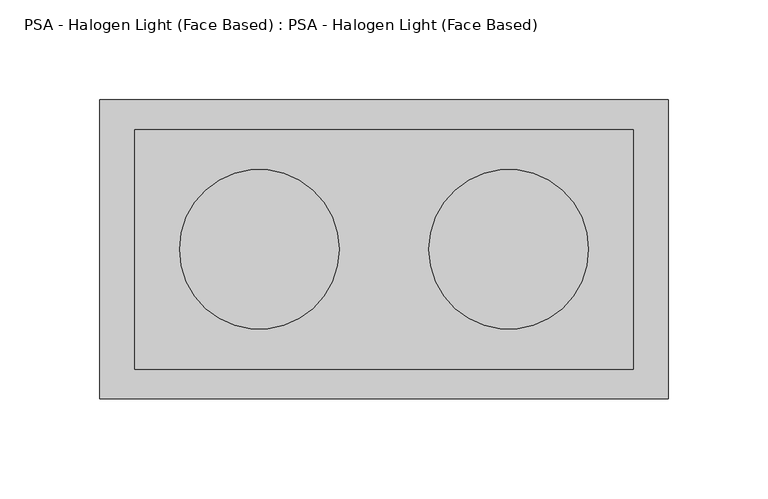
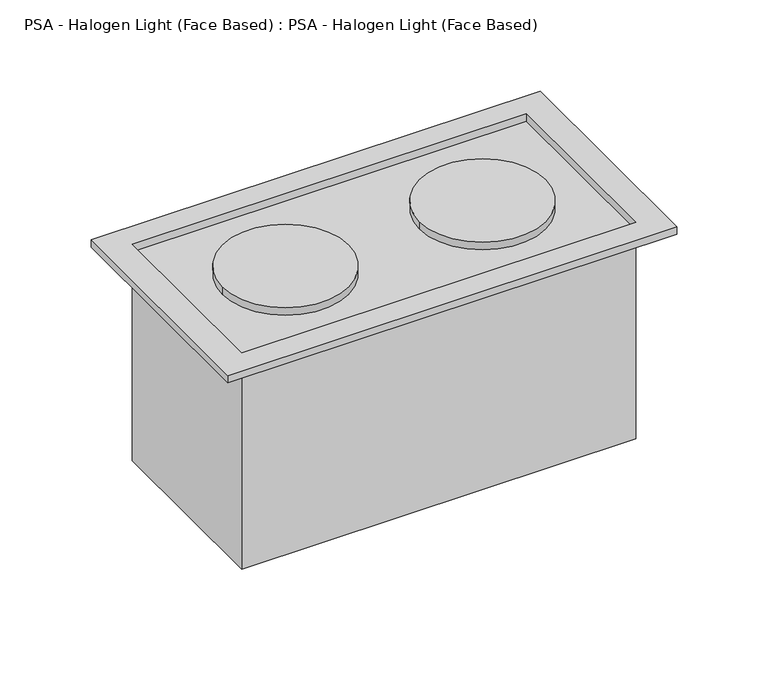
"""IFC4 building model written with IfcOpenShell, lengths in millimetres: light fixture geometry, PSA - Halogen Light (Face Based) : PSA - Halogen Light (Face Based)."""

import ifcopenshell
import ifcopenshell.guid

model = None  # the IFC model being written
_history = None  # IfcOwnerHistory: only IFC2X3 demands one
_inside = {}  # id of a spatial element -> (the spatial element, [elements in it])
_under = {}  # id of a project, library or spatial element -> (it, [spatial elements below it])
_declared = {}  # id of a project -> (the project, [libraries it declares])
_typed = {}  # id of a type object -> (the type object, [elements of that type])
_made_of = {}  # id of a material, layer set ... -> (it, [elements and type objects made of it])


def new_model(schema):
    """Start an empty IFC model of exactly this schema.

    Asked for "IFC4X3", IfcOpenShell would pick the latest addendum, in which some entities
    have other attributes; the version numbers below select the first issue.
    IFC2X3 requires an IfcOwnerHistory on every rooted entity: one is made here for all.
    """
    global model, _history
    if schema == "IFC4X3":
        model = ifcopenshell.file(schema_version=(4, 3, 0, 0))
    else:
        model = ifcopenshell.file(schema=schema)
    _inside.clear()
    _under.clear()
    _declared.clear()
    _typed.clear()
    _made_of.clear()
    _history = None
    if model.schema == "IFC2X3":
        org = make("IfcOrganization", Name="unknown")
        user = make(
            "IfcPersonAndOrganization",
            ThePerson=make("IfcPerson", FamilyName="unknown"),
            TheOrganization=org,
        )
        app = make(
            "IfcApplication",
            ApplicationDeveloper=org,
            Version="unknown",
            ApplicationFullName="unknown",
            ApplicationIdentifier="unknown",
        )
        _history = make(
            "IfcOwnerHistory",
            OwningUser=user,
            OwningApplication=app,
            ChangeAction="ADDED",
            CreationDate=0,
        )
    return model


def make(cls, **values):
    """One entity of the class cls with the attributes given. An attribute that is None is left unset."""
    return model.create_entity(
        cls, **{name: value for name, value in values.items() if value is not None}
    )


def rooted(cls, **values):
    """An entity with a GlobalId (a new one), such as an element, a storey or a relation."""
    return make(cls, GlobalId=ifcopenshell.guid.new(), OwnerHistory=_history, **values)


def si_unit(unit_type, name, prefix=None):
    """IfcSIUnit, for example si_unit("LENGTHUNIT", "METRE", prefix="MILLI")."""
    return make("IfcSIUnit", UnitType=unit_type, Prefix=prefix, Name=name)


def assignment(units):
    """IfcUnitAssignment: the units of a project."""
    return None if units is None else make("IfcUnitAssignment", Units=units)


def point(xyz):
    """IfcCartesianPoint."""
    return None if xyz is None else make("IfcCartesianPoint", Coordinates=xyz)


def direction(xyz):
    """IfcDirection."""
    return None if xyz is None else make("IfcDirection", DirectionRatios=xyz)


def frame(location, z_axis=None, x_axis=None):
    """IfcAxis2Placement3D, a coordinate frame: its origin and axes. An axis left out is left unset."""
    return make(
        "IfcAxis2Placement3D",
        Location=point(location),
        Axis=direction(z_axis),
        RefDirection=direction(x_axis),
    )


def frame_2d(location, x_axis=None):
    """IfcAxis2Placement2D, a coordinate frame in the plane: its origin and x axis."""
    return make(
        "IfcAxis2Placement2D", Location=point(location), RefDirection=direction(x_axis)
    )


def origin():
    """The frame at (0, 0, 0) with its axes left unset."""
    return frame((0.0, 0.0, 0.0))


def origin_with_axes():
    """The frame at (0, 0, 0) with the z axis (0, 0, 1) and the x axis (1, 0, 0) written out."""
    return frame((0.0, 0.0, 0.0), z_axis=(0.0, 0.0, 1.0), x_axis=(1.0, 0.0, 0.0))


def place(relative_to, where):
    """IfcLocalPlacement: puts the frame where relative to a parent placement (None: the world)."""
    return make(
        "IfcLocalPlacement", PlacementRelTo=relative_to, RelativePlacement=where
    )


def context(
    kind, dimensions, precision=None, world=None, true_north=None, identifier=None
):
    """IfcGeometricRepresentationContext, for example the 3D "Model" context."""
    return make(
        "IfcGeometricRepresentationContext",
        ContextIdentifier=identifier,
        ContextType=kind,
        CoordinateSpaceDimension=dimensions,
        Precision=precision,
        WorldCoordinateSystem=world,
        TrueNorth=true_north,
    )


def project(units=None, contexts=None):
    """IfcProject with its units and contexts."""
    return rooted(
        "IfcProject",
        Name="project",
        RepresentationContexts=contexts,
        UnitsInContext=assignment(units),
    )


def spatial(cls, under=None, at=None, **own):
    """A site, building, storey or space (cls), placed at a placement, below another one or the project."""
    s = rooted(cls, ObjectPlacement=at, **own)
    if under is not None:
        _under.setdefault(under.id(), (under, []))[1].append(s)
    return s


def polyline(points):
    """IfcPolyline through the points."""
    return make("IfcPolyline", Points=[point(p) for p in points])


def circle_curve(where, radius):
    """IfcCircle in the frame where."""
    return make("IfcCircle", Position=where, Radius=radius)


def trimmed(basis, trim1, trim2, sense, master):
    """IfcTrimmedCurve: the piece of a basis curve between two trims."""
    return make(
        "IfcTrimmedCurve",
        BasisCurve=basis,
        Trim1=trim1,
        Trim2=trim2,
        SenseAgreement=sense,
        MasterRepresentation=master,
    )


def segment(curve, same_sense, transition):
    """IfcCompositeCurveSegment."""
    return make(
        "IfcCompositeCurveSegment",
        Transition=transition,
        SameSense=same_sense,
        ParentCurve=curve,
    )


def composite_curve(segments, self_intersect=None):
    """IfcCompositeCurve: segments joined end to end."""
    return make("IfcCompositeCurve", Segments=segments, SelfIntersect=self_intersect)


def outline(outer, holes=None, kind="AREA"):
    """IfcArbitraryClosedProfileDef: a profile drawn as a closed curve; with holes, ...WithVoids."""
    if holes is None:
        return make("IfcArbitraryClosedProfileDef", ProfileType=kind, OuterCurve=outer)
    return make(
        "IfcArbitraryProfileDefWithVoids",
        ProfileType=kind,
        OuterCurve=outer,
        InnerCurves=holes,
    )


def extrude(swept, where, along, depth):
    """IfcExtrudedAreaSolid: the profile swept, set in the frame where, extruded along a direction by depth."""
    return make(
        "IfcExtrudedAreaSolid",
        SweptArea=swept,
        Position=where,
        ExtrudedDirection=direction(along),
        Depth=depth,
    )


def shape(context_of_items, identifier, shape_type, items):
    """IfcShapeRepresentation: the items that make up one representation, for example the "Body"."""
    return make(
        "IfcShapeRepresentation",
        ContextOfItems=context_of_items,
        RepresentationIdentifier=identifier,
        RepresentationType=shape_type,
        Items=items,
    )


def source(mapping_origin, context_of_items, identifier, shape_type, items):
    """IfcRepresentationMap: a shape defined once, which mapped items show again and again."""
    return make(
        "IfcRepresentationMap",
        MappingOrigin=mapping_origin,
        MappedRepresentation=shape(context_of_items, identifier, shape_type, items),
    )


def transform(
    local_origin,
    x_axis=None,
    y_axis=None,
    z_axis=None,
    scale=None,
    scale2=None,
    scale3=None,
    uniform=True,
):
    """IfcCartesianTransformationOperator3D, or its non-uniform kind. x_axis, y_axis, z_axis: its Axis1, 2, 3."""
    if uniform:
        return make(
            "IfcCartesianTransformationOperator3D",
            Axis1=direction(x_axis),
            Axis2=direction(y_axis),
            LocalOrigin=point(local_origin),
            Scale=scale,
            Axis3=direction(z_axis),
        )
    return make(
        "IfcCartesianTransformationOperator3DnonUniform",
        Axis1=direction(x_axis),
        Axis2=direction(y_axis),
        LocalOrigin=point(local_origin),
        Scale=scale,
        Axis3=direction(z_axis),
        Scale2=scale2,
        Scale3=scale3,
    )


def mapped(mapping_source, mapping_target):
    """IfcMappedItem: shows the shape of a source again, moved by a transform."""
    return make(
        "IfcMappedItem", MappingSource=mapping_source, MappingTarget=mapping_target
    )


def made_of(thing, what):
    """Note that an element or type object is made of a material, layer set ...; save() writes the relation."""
    if what is not None:
        _made_of.setdefault(what.id(), (what, []))[1].append(thing)
    return thing


def element(
    cls,
    number,
    at=None,
    inside=None,
    cuts=None,
    type_object=None,
    material=None,
    context=None,
    identifier="Body",
    shape_type=None,
    held_by="IfcProductDefinitionShape",
    body=None,
    shapes=None,
    **own,
):
    """One element of the class cls, such as IfcWall. Its Tag is "e" and its number.

    at: its placement. inside: the storey or other place that contains it. cuts: it is an
    opening in that element (IfcRelVoidsElement). A single representation is given by context,
    identifier, shape_type and body (its items); several are given by shapes. held_by: the class
    of the entity that holds the representations. save() writes the other relations.
    """
    e = rooted(cls, Tag="e%d" % number, ObjectPlacement=at, **own)
    if body is not None:
        shapes = [shape(context, identifier, shape_type, body)]
    if shapes is not None:
        e.Representation = make(held_by, Representations=shapes)
    if inside is not None:
        _inside.setdefault(inside.id(), (inside, []))[1].append(e)
    if cuts is not None:
        rooted(
            "IfcRelVoidsElement", RelatingBuildingElement=cuts, RelatedOpeningElement=e
        )
    if type_object is not None:
        _typed.setdefault(type_object.id(), (type_object, []))[1].append(e)
    return made_of(e, material)


def aggregate(whole, parts):
    """IfcRelAggregates: a whole, such as a stair, and the parts it consists of."""
    return rooted("IfcRelAggregates", RelatingObject=whole, RelatedObjects=parts)


def save(model, path):
    """Write the relations noted so far, then the file.

    IfcRelAggregates (storeys below a building ...), IfcRelContainedInSpatialStructure (elements
    in a storey), IfcRelDefinesByType, IfcRelAssociatesMaterial and IfcRelDeclares: one each for
    every whole, place, type object, material and project.
    """
    for whole, parts in _under.values():
        aggregate(whole, parts)
    for where, things in _inside.values():
        rooted(
            "IfcRelContainedInSpatialStructure",
            RelatedElements=things,
            RelatingStructure=where,
        )
    for kind, things in _typed.values():
        rooted("IfcRelDefinesByType", RelatedObjects=things, RelatingType=kind)
    for what, things in _made_of.values():
        rooted("IfcRelAssociatesMaterial", RelatedObjects=things, RelatingMaterial=what)
    for by, libraries in _declared.values():
        rooted("IfcRelDeclares", RelatingContext=by, RelatedDefinitions=libraries)
    model.write(path)


def psa_halogen_light_face_based_psa_halogen_light_face_based_b491ebed(model_context):
    return source(origin(), model_context, "Body", "SweptSolid", [
        extrude(outline(composite_curve([segment(trimmed(circle_curve(frame_2d((-62.5, 0.0)), 40.0), [point((-102.5, 0.0))], [point((-22.5, 0.0))], False, "CARTESIAN"), True, "CONTINUOUS"), segment(trimmed(circle_curve(frame_2d((-62.5, 0.0)), 40.0), [point((-22.5, 0.0))], [point((-102.5, 0.0))], False, "CARTESIAN"), True, "CONTINUOUS")], self_intersect=False)), origin_with_axes(), (0.0, 0.0, 1.0), 5.0),
        extrude(outline(composite_curve([segment(trimmed(circle_curve(frame_2d((62.5, 0.0)), 40.0), [point((22.5, 0.0))], [point((102.5, 0.0))], False, "CARTESIAN"), True, "CONTINUOUS"), segment(trimmed(circle_curve(frame_2d((62.5, 0.0)), 40.0), [point((102.5, 0.0))], [point((22.5, 0.0))], False, "CARTESIAN"), True, "CONTINUOUS")], self_intersect=False)), origin_with_axes(), (0.0, 0.0, 1.0), 5.0),
        extrude(outline(polyline([(-142.5, 75.0), (142.5, 75.0), (142.5, -75.0), (-142.5, -75.0), (-142.5, 75.0)]), holes=[polyline([(-125.0, -60.0), (125.0, -60.0), (125.0, 60.0), (-125.0, 60.0), (-125.0, -60.0)])]), origin_with_axes(), (0.0, 0.0, 1.0), 5.0),
        extrude(outline(polyline([(125.0, 60.0), (125.0, -60.0), (-125.0, -60.0), (-125.0, 60.0), (125.0, 60.0)])), frame((0.0, 0.0, -140.0), z_axis=(0.0, 0.0, 1.0), x_axis=(1.0, 0.0, 0.0)), (0.0, 0.0, 1.0), 140.0),
    ])


if __name__ == "__main__":
    model = new_model("IFC4")
    model_context = context("Model", 3, world=origin())
    ifc_project = project(units=[si_unit("LENGTHUNIT", "METRE", prefix="MILLI")], contexts=[model_context])
    site = spatial("IfcSite", under=ifc_project)
    building = spatial("IfcBuilding", under=site)
    placement = place(None, origin())
    psa_halogen_light_face_based_psa_halogen_light_face_based_shape = psa_halogen_light_face_based_psa_halogen_light_face_based_b491ebed(model_context)
    element("IfcLightFixture", 1, ObjectType="PSA - Halogen Light (Face Based) : PSA - Halogen Light (Face Based)", at=placement, inside=building, context=model_context, shape_type="MappedRepresentation", body=[
        mapped(psa_halogen_light_face_based_psa_halogen_light_face_based_shape, transform((0.0, 0.0, 0.0), x_axis=(1.0, 0.0, 0.0), y_axis=(0.0, 1.0, 0.0), z_axis=(0.0, 0.0, 1.0))),
    ])
    save(model, "model.ifc")
